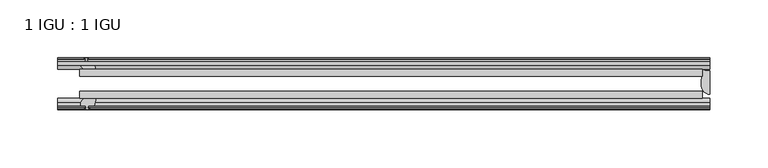
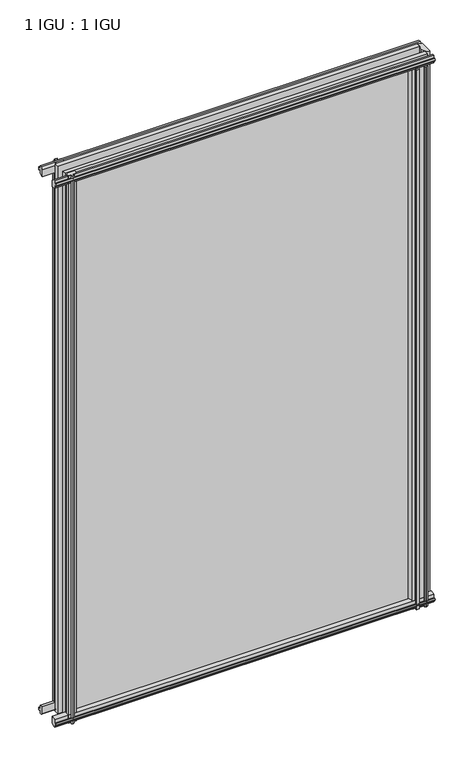
"""IFC4 building model written with IfcOpenShell, lengths in millimetres: plate geometry, 1 IGU : 1 IGU."""

import ifcopenshell
import ifcopenshell.guid

model = None  # the IFC model being written
_history = None  # IfcOwnerHistory: only IFC2X3 demands one
_inside = {}  # id of a spatial element -> (the spatial element, [elements in it])
_under = {}  # id of a project, library or spatial element -> (it, [spatial elements below it])
_declared = {}  # id of a project -> (the project, [libraries it declares])
_typed = {}  # id of a type object -> (the type object, [elements of that type])
_made_of = {}  # id of a material, layer set ... -> (it, [elements and type objects made of it])


def new_model(schema):
    """Start an empty IFC model of exactly this schema.

    Asked for "IFC4X3", IfcOpenShell would pick the latest addendum, in which some entities
    have other attributes; the version numbers below select the first issue.
    IFC2X3 requires an IfcOwnerHistory on every rooted entity: one is made here for all.
    """
    global model, _history
    if schema == "IFC4X3":
        model = ifcopenshell.file(schema_version=(4, 3, 0, 0))
    else:
        model = ifcopenshell.file(schema=schema)
    _inside.clear()
    _under.clear()
    _declared.clear()
    _typed.clear()
    _made_of.clear()
    _history = None
    if model.schema == "IFC2X3":
        org = make("IfcOrganization", Name="unknown")
        user = make(
            "IfcPersonAndOrganization",
            ThePerson=make("IfcPerson", FamilyName="unknown"),
            TheOrganization=org,
        )
        app = make(
            "IfcApplication",
            ApplicationDeveloper=org,
            Version="unknown",
            ApplicationFullName="unknown",
            ApplicationIdentifier="unknown",
        )
        _history = make(
            "IfcOwnerHistory",
            OwningUser=user,
            OwningApplication=app,
            ChangeAction="ADDED",
            CreationDate=0,
        )
    return model


def make(cls, **values):
    """One entity of the class cls with the attributes given. An attribute that is None is left unset."""
    return model.create_entity(
        cls, **{name: value for name, value in values.items() if value is not None}
    )


def rooted(cls, **values):
    """An entity with a GlobalId (a new one), such as an element, a storey or a relation."""
    return make(cls, GlobalId=ifcopenshell.guid.new(), OwnerHistory=_history, **values)


def si_unit(unit_type, name, prefix=None):
    """IfcSIUnit, for example si_unit("LENGTHUNIT", "METRE", prefix="MILLI")."""
    return make("IfcSIUnit", UnitType=unit_type, Prefix=prefix, Name=name)


def assignment(units):
    """IfcUnitAssignment: the units of a project."""
    return None if units is None else make("IfcUnitAssignment", Units=units)


def point(xyz):
    """IfcCartesianPoint."""
    return None if xyz is None else make("IfcCartesianPoint", Coordinates=xyz)


def direction(xyz):
    """IfcDirection."""
    return None if xyz is None else make("IfcDirection", DirectionRatios=xyz)


def frame(location, z_axis=None, x_axis=None):
    """IfcAxis2Placement3D, a coordinate frame: its origin and axes. An axis left out is left unset."""
    return make(
        "IfcAxis2Placement3D",
        Location=point(location),
        Axis=direction(z_axis),
        RefDirection=direction(x_axis),
    )


def frame_2d(location, x_axis=None):
    """IfcAxis2Placement2D, a coordinate frame in the plane: its origin and x axis."""
    return make(
        "IfcAxis2Placement2D", Location=point(location), RefDirection=direction(x_axis)
    )


def origin():
    """The frame at (0, 0, 0) with its axes left unset."""
    return frame((0.0, 0.0, 0.0))


def place(relative_to, where):
    """IfcLocalPlacement: puts the frame where relative to a parent placement (None: the world)."""
    return make(
        "IfcLocalPlacement", PlacementRelTo=relative_to, RelativePlacement=where
    )


def context(
    kind, dimensions, precision=None, world=None, true_north=None, identifier=None
):
    """IfcGeometricRepresentationContext, for example the 3D "Model" context."""
    return make(
        "IfcGeometricRepresentationContext",
        ContextIdentifier=identifier,
        ContextType=kind,
        CoordinateSpaceDimension=dimensions,
        Precision=precision,
        WorldCoordinateSystem=world,
        TrueNorth=true_north,
    )


def project(units=None, contexts=None):
    """IfcProject with its units and contexts."""
    return rooted(
        "IfcProject",
        Name="project",
        RepresentationContexts=contexts,
        UnitsInContext=assignment(units),
    )


def spatial(cls, under=None, at=None, **own):
    """A site, building, storey or space (cls), placed at a placement, below another one or the project."""
    s = rooted(cls, ObjectPlacement=at, **own)
    if under is not None:
        _under.setdefault(under.id(), (under, []))[1].append(s)
    return s


def polyline(points):
    """IfcPolyline through the points."""
    return make("IfcPolyline", Points=[point(p) for p in points])


def circle_curve(where, radius):
    """IfcCircle in the frame where."""
    return make("IfcCircle", Position=where, Radius=radius)


def ellipse_curve(where, semi_axis1, semi_axis2):
    """IfcEllipse in the frame where."""
    return make(
        "IfcEllipse", Position=where, SemiAxis1=semi_axis1, SemiAxis2=semi_axis2
    )


def trimmed(basis, trim1, trim2, sense, master):
    """IfcTrimmedCurve: the piece of a basis curve between two trims."""
    return make(
        "IfcTrimmedCurve",
        BasisCurve=basis,
        Trim1=trim1,
        Trim2=trim2,
        SenseAgreement=sense,
        MasterRepresentation=master,
    )


def segment(curve, same_sense, transition):
    """IfcCompositeCurveSegment."""
    return make(
        "IfcCompositeCurveSegment",
        Transition=transition,
        SameSense=same_sense,
        ParentCurve=curve,
    )


def composite_curve(segments, self_intersect=None):
    """IfcCompositeCurve: segments joined end to end."""
    return make("IfcCompositeCurve", Segments=segments, SelfIntersect=self_intersect)


def outline(outer, holes=None, kind="AREA"):
    """IfcArbitraryClosedProfileDef: a profile drawn as a closed curve; with holes, ...WithVoids."""
    if holes is None:
        return make("IfcArbitraryClosedProfileDef", ProfileType=kind, OuterCurve=outer)
    return make(
        "IfcArbitraryProfileDefWithVoids",
        ProfileType=kind,
        OuterCurve=outer,
        InnerCurves=holes,
    )


def extrude(swept, where, along, depth):
    """IfcExtrudedAreaSolid: the profile swept, set in the frame where, extruded along a direction by depth."""
    return make(
        "IfcExtrudedAreaSolid",
        SweptArea=swept,
        Position=where,
        ExtrudedDirection=direction(along),
        Depth=depth,
    )


def shape(context_of_items, identifier, shape_type, items):
    """IfcShapeRepresentation: the items that make up one representation, for example the "Body"."""
    return make(
        "IfcShapeRepresentation",
        ContextOfItems=context_of_items,
        RepresentationIdentifier=identifier,
        RepresentationType=shape_type,
        Items=items,
    )


def source(mapping_origin, context_of_items, identifier, shape_type, items):
    """IfcRepresentationMap: a shape defined once, which mapped items show again and again."""
    return make(
        "IfcRepresentationMap",
        MappingOrigin=mapping_origin,
        MappedRepresentation=shape(context_of_items, identifier, shape_type, items),
    )


def transform(
    local_origin,
    x_axis=None,
    y_axis=None,
    z_axis=None,
    scale=None,
    scale2=None,
    scale3=None,
    uniform=True,
):
    """IfcCartesianTransformationOperator3D, or its non-uniform kind. x_axis, y_axis, z_axis: its Axis1, 2, 3."""
    if uniform:
        return make(
            "IfcCartesianTransformationOperator3D",
            Axis1=direction(x_axis),
            Axis2=direction(y_axis),
            LocalOrigin=point(local_origin),
            Scale=scale,
            Axis3=direction(z_axis),
        )
    return make(
        "IfcCartesianTransformationOperator3DnonUniform",
        Axis1=direction(x_axis),
        Axis2=direction(y_axis),
        LocalOrigin=point(local_origin),
        Scale=scale,
        Axis3=direction(z_axis),
        Scale2=scale2,
        Scale3=scale3,
    )


def mapped(mapping_source, mapping_target):
    """IfcMappedItem: shows the shape of a source again, moved by a transform."""
    return make(
        "IfcMappedItem", MappingSource=mapping_source, MappingTarget=mapping_target
    )


def made_of(thing, what):
    """Note that an element or type object is made of a material, layer set ...; save() writes the relation."""
    if what is not None:
        _made_of.setdefault(what.id(), (what, []))[1].append(thing)
    return thing


def element(
    cls,
    number,
    at=None,
    inside=None,
    cuts=None,
    type_object=None,
    material=None,
    context=None,
    identifier="Body",
    shape_type=None,
    held_by="IfcProductDefinitionShape",
    body=None,
    shapes=None,
    **own,
):
    """One element of the class cls, such as IfcWall. Its Tag is "e" and its number.

    at: its placement. inside: the storey or other place that contains it. cuts: it is an
    opening in that element (IfcRelVoidsElement). A single representation is given by context,
    identifier, shape_type and body (its items); several are given by shapes. held_by: the class
    of the entity that holds the representations. save() writes the other relations.
    """
    e = rooted(cls, Tag="e%d" % number, ObjectPlacement=at, **own)
    if body is not None:
        shapes = [shape(context, identifier, shape_type, body)]
    if shapes is not None:
        e.Representation = make(held_by, Representations=shapes)
    if inside is not None:
        _inside.setdefault(inside.id(), (inside, []))[1].append(e)
    if cuts is not None:
        rooted(
            "IfcRelVoidsElement", RelatingBuildingElement=cuts, RelatedOpeningElement=e
        )
    if type_object is not None:
        _typed.setdefault(type_object.id(), (type_object, []))[1].append(e)
    return made_of(e, material)


def aggregate(whole, parts):
    """IfcRelAggregates: a whole, such as a stair, and the parts it consists of."""
    return rooted("IfcRelAggregates", RelatingObject=whole, RelatedObjects=parts)


def save(model, path):
    """Write the relations noted so far, then the file.

    IfcRelAggregates (storeys below a building ...), IfcRelContainedInSpatialStructure (elements
    in a storey), IfcRelDefinesByType, IfcRelAssociatesMaterial and IfcRelDeclares: one each for
    every whole, place, type object, material and project.
    """
    for whole, parts in _under.values():
        aggregate(whole, parts)
    for where, things in _inside.values():
        rooted(
            "IfcRelContainedInSpatialStructure",
            RelatedElements=things,
            RelatingStructure=where,
        )
    for kind, things in _typed.values():
        rooted("IfcRelDefinesByType", RelatedObjects=things, RelatingType=kind)
    for what, things in _made_of.values():
        rooted("IfcRelAssociatesMaterial", RelatedObjects=things, RelatingMaterial=what)
    for by, libraries in _declared.values():
        rooted("IfcRelDeclares", RelatingContext=by, RelatedDefinitions=libraries)
    model.write(path)


def plane_surface(at):
    """IfcPlane: the flat surface through the origin of the frame at, square to its z axis."""
    return make("IfcPlane", Position=at)


def cylinder_surface(at, radius):
    """IfcCylindricalSurface: all points at the distance radius from the z axis of the frame at."""
    return make("IfcCylindricalSurface", Position=at, Radius=radius)


def revolved_surface(curve, axis_point, axis_direction):
    """IfcSurfaceOfRevolution: the curve turned about the line through axis_point along axis_direction."""
    return make(
        "IfcSurfaceOfRevolution",
        SweptCurve=make("IfcArbitraryOpenProfileDef", ProfileType="CURVE", Curve=curve),
        AxisPosition=make("IfcAxis1Placement", Location=point(axis_point), Axis=direction(axis_direction)),
    )


def extruded_surface(curve, direction_of_extrusion, depth):
    """IfcSurfaceOfLinearExtrusion: the curve pushed along a direction by depth."""
    return make(
        "IfcSurfaceOfLinearExtrusion",
        SweptCurve=make("IfcArbitraryOpenProfileDef", ProfileType="CURVE", Curve=curve),
        ExtrudedDirection=direction(direction_of_extrusion),
        Depth=depth,
    )


def advanced_brep(points, edges, surfaces, faces):
    """IfcAdvancedBrep: a solid bounded by faces that lie on surfaces and meet in shared edges.

    An edge is (start, end): straight between two places in points (the first is 0);
    or (start, end, curve); or (start, end, curve, False) where it runs against its curve.
    A face is (place in surfaces, loops), or (place, loops, False) where it looks against
    its surface's normal. A loop lists edges by number (the first is 1), with a minus sign
    where the edge is run from its end to its start. The first loop is the outer one.
    """
    corners = [point(p) for p in points]
    vertices = [make("IfcVertexPoint", VertexGeometry=c) for c in corners]
    made = []
    for start, end, *more in edges:
        made.append(
            make(
                "IfcEdgeCurve",
                EdgeStart=vertices[start],
                EdgeEnd=vertices[end],
                EdgeGeometry=more[0] if more else make("IfcPolyline", Points=[corners[start], corners[end]]),
                SameSense=more[1] if len(more) > 1 else True,
            )
        )
    hull = []
    for where, loops, *sense in faces:
        bounds = []
        for j, loop in enumerate(loops):
            ring = [make("IfcOrientedEdge", EdgeElement=made[abs(k) - 1], Orientation=k > 0) for k in loop]
            bounds.append(
                make(
                    "IfcFaceOuterBound" if j == 0 else "IfcFaceBound",
                    Bound=make("IfcEdgeLoop", EdgeList=ring),
                    Orientation=True,
                )
            )
        hull.append(make("IfcAdvancedFace", Bounds=bounds, FaceSurface=surfaces[where], SameSense=sense[0] if sense else True))
    return make("IfcAdvancedBrep", Outer=make("IfcClosedShell", CfsFaces=hull))


def plate_1_igu_1_igu_19d0c5bb(model_context):
    return source(origin(), model_context, "Body", "SolidModel", [
        extrude(outline(polyline([(-263.5249999, -38.6468937), (276.2249999, -38.6468937), (276.2249999, -44.9460938), (-263.5249999, -44.9460938), (-263.5249999, -38.6468937)])), frame((0.0, 0.0, -12.7), z_axis=(0.0, 0.0, 1.0), x_axis=(1.0, 0.0, 0.0)), (0.0, 0.0, 1.0), 863.5999996),
        extrude(outline(polyline([(-263.5249999, -19.5460937), (276.2249999, -19.5460937), (276.2249999, -25.8960938), (-263.5249999, -25.8960938), (-263.5249999, -19.5460937)])), frame((0.0, 0.0, -12.7), z_axis=(0.0, 0.0, 1.0), x_axis=(1.0, 0.0, 0.0)), (0.0, 0.0, 1.0), 863.5999996),
        advanced_brep(
        [(282.5749999, -21.1709383, -12.4587), (282.5749999, -41.5384061, -12.4587), (275.0526628, -32.2460938, -12.4587), (276.2249999, -25.8452938, -12.4587), (276.2249999, -19.5460938, -12.4587), (282.5749999, -21.1709383, 850.8999996), (276.2249999, -19.5460938, 850.8999996), (276.2249999, -25.8452938, 850.8999996), (275.0526628, -32.2460938, 850.8999996), (282.5749999, -41.5384061, 850.8999996)],
        [
            (0, 1),
            (1, 2, ellipse_curve(frame((282.5749999, -32.2460938, -12.4587), z_axis=(0.0, 0.0, -1.0), x_axis=(0.0, -1.0, 0.0)), 9.2923124, 7.5223371)),
            (2, 3, circle_curve(frame((293.1125763, -32.2460938, -12.4587), z_axis=(0.0, 0.0, -1.0), x_axis=(1.0, 0.0, 0.0)), 18.0599135)),
            (3, 4),
            (4, 0, circle_curve(frame((282.5749999, -7.950406, -12.4587), z_axis=(0.0, 0.0, 1.0), x_axis=(1.0, 0.0, 0.0)), 13.2205323)),
            (5, 6, circle_curve(frame((282.5749999, -7.950406, 850.8999996), z_axis=(0.0, 0.0, -1.0), x_axis=(1.0, 0.0, 0.0)), 13.2205323)),
            (6, 7),
            (7, 8, circle_curve(frame((293.1125763, -32.2460938, 850.8999996), z_axis=(0.0, 0.0, 1.0), x_axis=(1.0, 0.0, 0.0)), 18.0599135)),
            (8, 9, ellipse_curve(frame((282.5749999, -32.2460938, 850.8999996), z_axis=(0.0, 0.0, 1.0), x_axis=(0.0, -1.0, 0.0)), 9.2923124, 7.5223371)),
            (9, 5),
            (1, 9),
            (8, 2),
            (7, 3),
            (6, 4),
            (5, 0),
        ],
        [
            plane_surface(frame((282.5749999, -13.1960938, -12.4587), z_axis=(0.0, 0.0, -1.0), x_axis=(0.0, 1.0, 0.0))),
            plane_surface(frame((282.5749999, -13.1960938, 850.8999996), z_axis=(0.0, 0.0, 1.0), x_axis=(0.0, 1.0, 0.0))),
            extruded_surface(trimmed(ellipse_curve(frame((282.5749999, -32.2460938, 850.8999996), z_axis=(0.0, 0.0, -1.0), x_axis=(0.0, -1.0, 0.0)), 9.2923124, 7.5223371), [point((282.5749999, -41.5384061, 850.8999996))], [point((275.0526628, -32.2460938, 850.8999996))], True, "CARTESIAN"), (0.0, 0.0, -863.3586996), 863.3586996),
            cylinder_surface(frame((293.1125763, -32.2460938, -12.4587), z_axis=(0.0, 0.0, -1.0), x_axis=(1.0, 0.0, 0.0)), 18.0599135),
            plane_surface(frame((276.2249999, -25.8452938, -12.4587), z_axis=(-1.0, 0.0, 0.0), x_axis=(0.0, 0.0, 1.0))),
            revolved_surface(polyline([(295.7955322, -7.950406, 850.8999996), (295.7955322, -7.950406, -12.4587)]), (282.5749999, -7.950406, -12.4587), (0.0, 0.0, 1.0)),
            plane_surface(frame((282.5749999, -21.1709383, -12.4587), z_axis=(1.0, 0.0, 0.0), x_axis=(0.0, 0.0, 1.0))),
        ],
        [
            (0, [[1, 2, 3, 4, 5]]),
            (1, [[6, 7, 8, 9, 10]]),
            (2, [[-2, 11, -9, 12]]),
            (3, [[-3, -12, -8, 13]]),
            (4, [[-4, -13, -7, 14]]),
            (5, [[-5, -14, -6, 15]]),
            (6, [[-1, -15, -10, -11]]),
        ],
    ),
        extrude(outline(polyline([(-44.9460937, 1.7177181), (-44.9460937, -9.1036578), (-48.3496937, -11.938), (-51.2960937, -11.938), (-51.2960937, -7.493), (-53.6762907, -7.112), (-53.2163575, -8.5275291), (-54.0175717, -8.5275291), (-54.7250937, -6.35), (-54.0175717, -4.1724709), (-53.2163575, -4.1724709), (-53.6762907, -5.588), (-51.2960937, -5.207), (-51.2960937, 0.0), (-44.9460937, 1.7177181)])), frame((-282.5749999, 0.0, 0.0), z_axis=(1.0, 0.0, 0.0), x_axis=(0.0, 1.0, 0.0)), (0.0, 0.0, 1.0), 565.1499998),
        extrude(outline(polyline([(-13.1960937, -12.4587), (-16.1424937, -12.4587), (-19.5460937, -9.6243578), (-19.5460937, 1.1970181), (-13.1960937, -0.5207), (-13.1960937, -5.7277), (-10.8158968, -6.1087), (-11.27583, -4.6931709), (-10.4746158, -4.6931709), (-9.7670937, -6.8707), (-10.4746158, -9.0482291), (-11.27583, -9.0482291), (-10.8158968, -7.6327), (-13.1960937, -8.0137), (-13.1960937, -12.4587)])), frame((-282.5749999, 0.0, 0.0), z_axis=(1.0, 0.0, 0.0), x_axis=(0.0, 1.0, 0.0)), (0.0, 0.0, 1.0), 565.1499998),
        extrude(outline(polyline([(-51.2960937, 850.1379996), (-48.3496937, 850.1379996), (-44.9460937, 847.3036575), (-44.9460937, 836.4822816), (-51.2960937, 838.1999996), (-51.2960937, 843.4069996), (-53.6762907, 843.7879996), (-53.2163575, 842.3724706), (-54.0175717, 842.3724706), (-54.7250937, 844.5499996), (-54.0175717, 846.7275287), (-53.2163575, 846.7275287), (-53.6762907, 845.3119996), (-51.2960937, 845.6929996), (-51.2960937, 850.1379996)])), frame((-282.5749999, 0.0, 0.0), z_axis=(1.0, 0.0, 0.0), x_axis=(0.0, 1.0, 0.0)), (0.0, 0.0, 1.0), 565.1499998),
        extrude(outline(polyline([(-19.5460937, 837.0029816), (-19.5460937, 847.8243575), (-16.1424937, 850.6586996), (-13.1960937, 850.6586996), (-13.1960937, 846.2136996), (-10.8158968, 845.8326996), (-11.27583, 847.2482287), (-10.4746158, 847.2482287), (-9.7670937, 845.0706996), (-10.4746158, 842.8931706), (-11.27583, 842.8931706), (-10.8158968, 844.3086996), (-13.1960937, 843.9276996), (-13.1960937, 838.7206996), (-19.5460937, 837.0029816)])), frame((-282.5749999, 0.0, 0.0), z_axis=(1.0, 0.0, 0.0), x_axis=(0.0, 1.0, 0.0)), (0.0, 0.0, 1.0), 565.1499998),
        extrude(outline(composite_curve([segment(polyline([(273.0500001, -44.9460938), (273.0500001, -51.2960938), (271.3990001, -51.2960938), (271.3990001, -52.9470938), (272.4766308, -52.9470938)]), True, "CONTINUOUS"), segment(trimmed(circle_curve(frame_2d((271.3990001, -52.9470938)), 1.0776307), [point((272.4766308, -52.9470938))], [point((272.1610001, -53.7090938))], False, "CARTESIAN"), True, "CONTINUOUS"), segment(polyline([(272.1610001, -53.7090938), (270.4217077, -54.8194621)]), True, "CONTINUOUS"), segment(trimmed(circle_curve(frame_2d((269.8750001, -53.9630938)), 1.016), [point((270.4217077, -54.8194621))], [point((269.3282925, -54.8194621))], False, "CARTESIAN"), True, "CONTINUOUS"), segment(polyline([(269.3282925, -54.8194621), (267.5890001, -53.7090938)]), True, "CONTINUOUS"), segment(trimmed(circle_curve(frame_2d((268.3510001, -52.9470938)), 1.0776307), [point((267.5890001, -53.7090938))], [point((267.2733693, -52.9470938))], False, "CARTESIAN"), True, "CONTINUOUS"), segment(polyline([(267.2733693, -52.9470938), (268.3510001, -52.9470938), (268.3510001, -51.2960938), (259.2832001, -51.2960938)]), True, "CONTINUOUS"), segment(trimmed(circle_curve(frame_2d((259.2832001, -51.7532938)), 0.4572), [point((259.2832001, -51.2960938))], [point((258.9443822, -52.0602698))], True, "CARTESIAN"), True, "CONTINUOUS"), segment(trimmed(circle_curve(frame_2d((257.1750001, -53.663367)), 2.3876), [point((258.9443822, -52.0602698))], [point((259.2456431, -54.8520938))], False, "CARTESIAN"), True, "CONTINUOUS"), segment(polyline([(259.2456431, -54.8520938), (255.1043571, -54.8520938)]), True, "CONTINUOUS"), segment(trimmed(circle_curve(frame_2d((257.1750001, -53.663367)), 2.3876), [point((255.1043571, -54.8520938))], [point((255.4056179, -52.0602698))], False, "CARTESIAN"), True, "CONTINUOUS"), segment(trimmed(circle_curve(frame_2d((255.0668001, -51.7532938)), 0.4572), [point((255.4056179, -52.0602698))], [point((255.0668001, -51.2960938))], True, "CARTESIAN"), True, "CONTINUOUS"), segment(polyline([(255.0668001, -51.2960938), (250.8250001, -51.2960938)]), True, "CONTINUOUS"), segment(trimmed(circle_curve(frame_2d((241.8090686, -51.9750196)), 9.0414579), [point((250.8250001, -51.2960938))], [point((247.4960855, -44.9460938))], True, "CARTESIAN"), True, "CONTINUOUS"), segment(polyline([(247.4960855, -44.9460938), (273.0500001, -44.9460938)]), True, "CONTINUOUS")], self_intersect=False)), frame((0.0, 0.0, -12.7), z_axis=(0.0, 0.0, 1.0), x_axis=(1.0, 0.0, 0.0)), (0.0, 0.0, 1.0), 850.8999996),
        extrude(outline(polyline([(-257.6956999, -9.7670937), (-255.5181709, -10.4746158), (-255.5181709, -11.27583), (-256.9336999, -10.8158968), (-256.5526999, -13.1960937), (-251.3456999, -13.1960937), (-249.6279818, -19.5460937), (-260.4493578, -19.5460937), (-263.2836999, -16.1424937), (-263.2836999, -13.1960937), (-258.8386999, -13.1960937), (-258.4576999, -10.8158968), (-259.873229, -11.27583), (-259.873229, -10.4746158), (-257.6956999, -9.7670937)])), frame((0.0, 0.0, -12.7), z_axis=(0.0, 0.0, 1.0), x_axis=(1.0, 0.0, 0.0)), (0.0, 0.0, 1.0), 863.5999998),
        extrude(outline(polyline([(-262.7629999, -48.3496937), (-259.9286578, -44.9460937), (-249.1072818, -44.9460937), (-250.8249999, -51.2960937), (-256.0319999, -51.2960937), (-256.4129999, -53.6762907), (-254.9974709, -53.2163575), (-254.9974709, -54.0175717), (-257.1749999, -54.7250937), (-259.352529, -54.0175717), (-259.352529, -53.2163575), (-257.9369999, -53.6762907), (-258.3179999, -51.2960937), (-262.7629999, -51.2960937), (-262.7629999, -48.3496937)])), frame((0.0, 0.0, -12.7), z_axis=(0.0, 0.0, 1.0), x_axis=(1.0, 0.0, 0.0)), (0.0, 0.0, 1.0), 863.5999998),
    ])


if __name__ == "__main__":
    model = new_model("IFC4")
    model_context = context("Model", 3, world=origin())
    ifc_project = project(units=[si_unit("LENGTHUNIT", "METRE", prefix="MILLI")], contexts=[model_context])
    site = spatial("IfcSite", under=ifc_project)
    building = spatial("IfcBuilding", under=site)
    placement = place(None, origin())
    plate_1_igu_1_igu_shape = plate_1_igu_1_igu_19d0c5bb(model_context)
    element("IfcPlate", 1, ObjectType="1 IGU : 1 IGU", at=placement, inside=building, context=model_context, shape_type="MappedRepresentation", body=[
        mapped(plate_1_igu_1_igu_shape, transform((0.0, 0.0, 0.0), x_axis=(1.0, 0.0, 0.0), y_axis=(0.0, 1.0, 0.0), z_axis=(0.0, 0.0, 1.0))),
    ])
    save(model, "model.ifc")
